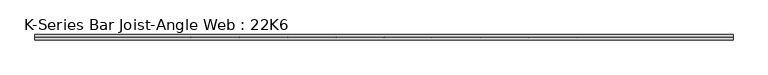
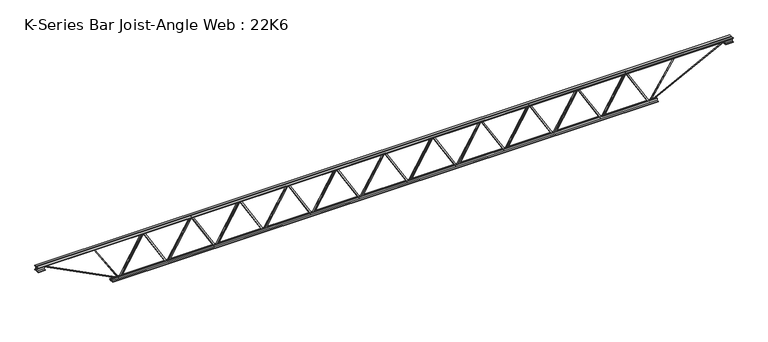
"""IFC4 building model written with IfcOpenShell, lengths in millimetres: beam geometry, K-Series Bar Joist-Angle Web : 22K6."""

from ifc_helpers import new_model, si_unit, frame, origin, place, context, project, spatial, polyline, outline, extrude, faceted_brep, source, transform, mapped, element, save


def k_series_bar_joist_angle_web_22k6_085e05a3(model_context):
    return source(origin(), model_context, "Body", "SolidModel", [
        extrude(outline(polyline([(-4.7625, 4.7625001), (-4.7625, 0.0), (-17.4625, 0.0), (-17.4625, 4.7625001), (-4.7625, 4.7625001)])), frame((2922.4674679, 0.0, -241.3), z_axis=(-0.5092469856380344, 0.0, 0.8606204201728981), x_axis=(0.0, -1.0, 0.0)), (0.0, 0.0, 1.0), 560.7582492),
        extrude(outline(polyline([(-276.225, 2954.9147727), (-257.175, 2954.9147727), (-257.175, 2953.9962293), (276.225, 2638.3723657), (276.225, 2620.2409091), (257.175, 2620.2409091), (257.175, 2627.5094525), (-276.225, 2943.1333161), (-276.225, 2954.9147727)])), frame((0.0, 0.0, 0.0), z_axis=(0.0, 1.0, 0.0), x_axis=(0.0, 0.0, 1.0)), (0.0, 0.0, 1.0), 4.7625),
        faceted_brep([(2298.2670455, 0.0, -257.175), (2298.2670455, 0.0, -276.225), (2298.2670455, -4.7625, -276.225), (2298.2670455, -4.7625, -257.175), (2299.1855889, 0.0, -257.175), (2614.8094525, 0.0, 276.225), (2632.9409091, 0.0, 276.225), (2632.9409091, 0.0, 257.175), (2625.6723657, 0.0, 257.175), (2310.0485021, 0.0, -276.225), (2310.0485021, -4.7625, -276.225), (2330.7143503, -4.7625, -241.3), (2326.6156455, -4.7625, -238.8747112), (2612.1800936, -4.7625, 243.7252888), (2616.2787983, -4.7625, 241.3), (2625.6723657, -4.7625, 257.175), (2632.9409091, -4.7625, 257.175), (2632.9409091, -4.7625, 276.225), (2614.8094525, -4.7625, 276.225), (2299.1855889, -4.7625, -257.175), (2616.2787983, -17.4625, 241.3), (2330.7143503, -17.4625, -241.3), (2326.6156455, -17.4625, -238.8747112), (2612.1800936, -17.4625, 243.7252888)], [[[0, 1, 2, 3]], [[1, 0, 4, 5, 6, 7, 8, 9]], [[2, 1, 9, 10]], [[3, 2, 10, 11, 12, 13, 14, 15, 16, 17, 18, 19]], [[0, 3, 19, 4]], [[9, 8, 15, 14, 20, 21, 11, 10]], [[5, 4, 19, 18]], [[7, 6, 17, 16]], [[8, 7, 16, 15]], [[6, 5, 18, 17]], [[21, 22, 12, 11]], [[20, 14, 13, 23]], [[22, 21, 20, 23]], [[12, 22, 23, 13]]]),
        extrude(outline(polyline([(-4.7625, 4.7625001), (-4.7625, 0.0), (-17.4625, 0.0), (-17.4625, 4.7625001), (-4.7625, 4.7625001)])), frame((2265.8197406, 0.0, -241.3), z_axis=(-0.5092469856380344, 0.0, 0.8606204201728981), x_axis=(0.0, -1.0, 0.0)), (0.0, 0.0, 1.0), 560.7582492),
        extrude(outline(polyline([(-276.225, 2298.2670455), (-257.175, 2298.2670455), (-257.175, 2297.3485021), (276.225, 1981.7246384), (276.225, 1963.5931818), (257.175, 1963.5931818), (257.175, 1970.8617252), (-276.225, 2286.4855889), (-276.225, 2298.2670455)])), frame((0.0, 0.0, 0.0), z_axis=(0.0, 1.0, 0.0), x_axis=(0.0, 0.0, 1.0)), (0.0, 0.0, 1.0), 4.7625),
        faceted_brep([(1641.6193182, 0.0, -257.175), (1641.6193182, 0.0, -276.225), (1641.6193182, -4.7625, -276.225), (1641.6193182, -4.7625, -257.175), (1642.5378616, 0.0, -257.175), (1958.1617252, 0.0, 276.225), (1976.2931818, 0.0, 276.225), (1976.2931818, 0.0, 257.175), (1969.0246384, 0.0, 257.175), (1653.4007748, 0.0, -276.225), (1653.4007748, -4.7625, -276.225), (1674.066623, -4.7625, -241.3), (1669.9679182, -4.7625, -238.8747112), (1955.5323663, -4.7625, 243.7252888), (1959.631071, -4.7625, 241.3), (1969.0246384, -4.7625, 257.175), (1976.2931818, -4.7625, 257.175), (1976.2931818, -4.7625, 276.225), (1958.1617252, -4.7625, 276.225), (1642.5378616, -4.7625, -257.175), (1959.631071, -17.4625, 241.3), (1674.066623, -17.4625, -241.3), (1669.9679182, -17.4625, -238.8747112), (1955.5323663, -17.4625, 243.7252888)], [[[0, 1, 2, 3]], [[1, 0, 4, 5, 6, 7, 8, 9]], [[2, 1, 9, 10]], [[3, 2, 10, 11, 12, 13, 14, 15, 16, 17, 18, 19]], [[0, 3, 19, 4]], [[9, 8, 15, 14, 20, 21, 11, 10]], [[5, 4, 19, 18]], [[7, 6, 17, 16]], [[8, 7, 16, 15]], [[6, 5, 18, 17]], [[21, 22, 12, 11]], [[20, 14, 13, 23]], [[22, 21, 20, 23]], [[12, 22, 23, 13]]]),
        extrude(outline(polyline([(-4.7625, 4.7625), (-4.7625, 0.0), (-17.4625, 0.0), (-17.4625, 4.7625), (-4.7625, 4.7625)])), frame((1609.1720134, 0.0, -241.3), z_axis=(-0.5092469856380344, 0.0, 0.8606204201728981), x_axis=(0.0, -1.0, 0.0)), (0.0, 0.0, 1.0), 560.7582492),
        extrude(outline(polyline([(-276.225, 1641.6193182), (-257.175, 1641.6193182), (-257.175, 1640.7007748), (276.225, 1325.0769111), (276.225, 1306.9454545), (257.175, 1306.9454545), (257.175, 1314.2139979), (-276.225, 1629.8378616), (-276.225, 1641.6193182)])), frame((0.0, 0.0, 0.0), z_axis=(0.0, 1.0, 0.0), x_axis=(0.0, 0.0, 1.0)), (0.0, 0.0, 1.0), 4.7625),
        faceted_brep([(984.9715909, 0.0, -257.175), (984.9715909, 0.0, -276.225), (984.9715909, -4.7625, -276.225), (984.9715909, -4.7625, -257.175), (985.8901343, 0.0, -257.175), (1301.5139979, 0.0, 276.225), (1319.6454545, 0.0, 276.225), (1319.6454545, 0.0, 257.175), (1312.3769111, 0.0, 257.175), (996.7530475, 0.0, -276.225), (996.7530475, -4.7625, -276.225), (1017.4188957, -4.7625, -241.3), (1013.320191, -4.7625, -238.8747112), (1298.884639, -4.7625, 243.7252888), (1302.9833438, -4.7625, 241.3), (1312.3769111, -4.7625, 257.175), (1319.6454545, -4.7625, 257.175), (1319.6454545, -4.7625, 276.225), (1301.5139979, -4.7625, 276.225), (985.8901343, -4.7625, -257.175), (1302.9833438, -17.4625, 241.3), (1017.4188957, -17.4625, -241.3), (1013.320191, -17.4625, -238.8747112), (1298.884639, -17.4625, 243.7252888)], [[[0, 1, 2, 3]], [[1, 0, 4, 5, 6, 7, 8, 9]], [[2, 1, 9, 10]], [[3, 2, 10, 11, 12, 13, 14, 15, 16, 17, 18, 19]], [[0, 3, 19, 4]], [[9, 8, 15, 14, 20, 21, 11, 10]], [[5, 4, 19, 18]], [[7, 6, 17, 16]], [[8, 7, 16, 15]], [[6, 5, 18, 17]], [[21, 22, 12, 11]], [[20, 14, 13, 23]], [[22, 21, 20, 23]], [[12, 22, 23, 13]]]),
        extrude(outline(polyline([(-4.7625, 4.7625), (-4.7625, 0.0), (-17.4625, 0.0), (-17.4625, 4.7625), (-4.7625, 4.7625)])), frame((952.5242861, 0.0, -241.3), z_axis=(-0.5092469856380344, 0.0, 0.8606204201728981), x_axis=(0.0, -1.0, 0.0)), (0.0, 0.0, 1.0), 560.7582492),
        extrude(outline(polyline([(-276.225, 984.9715909), (-257.175, 984.9715909), (-257.175, 984.0530475), (276.225, 668.4291839), (276.225, 650.2977273), (257.175, 650.2977273), (257.175, 657.5662707), (-276.225, 973.1901343), (-276.225, 984.9715909)])), frame((0.0, 0.0, 0.0), z_axis=(0.0, 1.0, 0.0), x_axis=(0.0, 0.0, 1.0)), (0.0, 0.0, 1.0), 4.7625),
        faceted_brep([(328.3238636, 0.0, -257.175), (328.3238636, 0.0, -276.225), (328.3238636, -4.7625, -276.225), (328.3238636, -4.7625, -257.175), (329.242407, 0.0, -257.175), (644.8662707, 0.0, 276.225), (662.9977273, 0.0, 276.225), (662.9977273, 0.0, 257.175), (655.7291839, 0.0, 257.175), (340.1053202, 0.0, -276.225), (340.1053202, -4.7625, -276.225), (360.7711685, -4.7625, -241.3), (356.6724637, -4.7625, -238.8747112), (642.2369118, -4.7625, 243.7252888), (646.3356165, -4.7625, 241.3), (655.7291839, -4.7625, 257.175), (662.9977273, -4.7625, 257.175), (662.9977273, -4.7625, 276.225), (644.8662707, -4.7625, 276.225), (329.242407, -4.7625, -257.175), (646.3356165, -17.4625, 241.3), (360.7711685, -17.4625, -241.3), (356.6724637, -17.4625, -238.8747112), (642.2369118, -17.4625, 243.7252888)], [[[0, 1, 2, 3]], [[1, 0, 4, 5, 6, 7, 8, 9]], [[2, 1, 9, 10]], [[3, 2, 10, 11, 12, 13, 14, 15, 16, 17, 18, 19]], [[0, 3, 19, 4]], [[9, 8, 15, 14, 20, 21, 11, 10]], [[5, 4, 19, 18]], [[7, 6, 17, 16]], [[8, 7, 16, 15]], [[6, 5, 18, 17]], [[21, 22, 12, 11]], [[20, 14, 13, 23]], [[22, 21, 20, 23]], [[12, 22, 23, 13]]]),
        extrude(outline(polyline([(-4.7625, 4.7625001), (-4.7625, 0.0), (-17.4625, 0.0), (-17.4625, 4.7625001), (-4.7625, 4.7625001)])), frame((295.8765588, 0.0, -241.3), z_axis=(-0.5092469856380344, 0.0, 0.8606204201728981), x_axis=(0.0, -1.0, 0.0)), (0.0, 0.0, 1.0), 560.7582492),
        extrude(outline(polyline([(-276.225, 328.3238636), (-257.175, 328.3238636), (-257.175, 327.4053202), (276.225, 11.7814566), (276.225, -6.35), (257.175, -6.35), (257.175, 0.9185434), (-276.225, 316.542407), (-276.225, 328.3238636)])), frame((0.0, 0.0, 0.0), z_axis=(0.0, 1.0, 0.0), x_axis=(0.0, 0.0, 1.0)), (0.0, 0.0, 1.0), 4.7625),
        faceted_brep([(-328.3238636, 0.0, -257.175), (-328.3238636, 0.0, -276.225), (-328.3238636, -4.7625, -276.225), (-328.3238636, -4.7625, -257.175), (-327.4053202, 0.0, -257.175), (-11.7814566, 0.0, 276.225), (6.35, 0.0, 276.225), (6.35, 0.0, 257.175), (-0.9185434, 0.0, 257.175), (-316.542407, 0.0, -276.225), (-316.542407, -4.7625, -276.225), (-295.8765588, -4.7625, -241.3), (-299.9752636, -4.7625, -238.8747112), (-14.4108155, -4.7625, 243.7252888), (-10.3121108, -4.7625, 241.3), (-0.9185434, -4.7625, 257.175), (6.35, -4.7625, 257.175), (6.35, -4.7625, 276.225), (-11.7814566, -4.7625, 276.225), (-327.4053202, -4.7625, -257.175), (-10.3121108, -17.4625, 241.3), (-295.8765588, -17.4625, -241.3), (-299.9752636, -17.4625, -238.8747112), (-14.4108155, -17.4625, 243.7252888)], [[[0, 1, 2, 3]], [[1, 0, 4, 5, 6, 7, 8, 9]], [[2, 1, 9, 10]], [[3, 2, 10, 11, 12, 13, 14, 15, 16, 17, 18, 19]], [[0, 3, 19, 4]], [[9, 8, 15, 14, 20, 21, 11, 10]], [[5, 4, 19, 18]], [[7, 6, 17, 16]], [[8, 7, 16, 15]], [[6, 5, 18, 17]], [[21, 22, 12, 11]], [[20, 14, 13, 23]], [[22, 21, 20, 23]], [[12, 22, 23, 13]]]),
        extrude(outline(polyline([(-4.7625, 4.7625001), (-4.7625, 0.0), (-17.4625, 0.0), (-17.4625, 4.7625001), (-4.7625, 4.7625001)])), frame((-360.7711685, 0.0, -241.3), z_axis=(-0.5092469856380344, 0.0, 0.8606204201728981), x_axis=(0.0, -1.0, 0.0)), (0.0, 0.0, 1.0), 560.7582492),
        extrude(outline(polyline([(-276.225, -328.3238636), (-257.175, -328.3238636), (-257.175, -329.242407), (276.225, -644.8662707), (276.225, -662.9977273), (257.175, -662.9977273), (257.175, -655.7291839), (-276.225, -340.1053202), (-276.225, -328.3238636)])), frame((0.0, 0.0, 0.0), z_axis=(0.0, 1.0, 0.0), x_axis=(0.0, 0.0, 1.0)), (0.0, 0.0, 1.0), 4.7625),
        faceted_brep([(-984.9715909, 0.0, -257.175), (-984.9715909, 0.0, -276.225), (-984.9715909, -4.7625, -276.225), (-984.9715909, -4.7625, -257.175), (-984.0530475, 0.0, -257.175), (-668.4291839, 0.0, 276.225), (-650.2977273, 0.0, 276.225), (-650.2977273, 0.0, 257.175), (-657.5662707, 0.0, 257.175), (-973.1901343, 0.0, -276.225), (-973.1901343, -4.7625, -276.225), (-952.5242861, -4.7625, -241.3), (-956.6229908, -4.7625, -238.8747112), (-671.0585428, -4.7625, 243.7252888), (-666.959838, -4.7625, 241.3), (-657.5662707, -4.7625, 257.175), (-650.2977273, -4.7625, 257.175), (-650.2977273, -4.7625, 276.225), (-668.4291839, -4.7625, 276.225), (-984.0530475, -4.7625, -257.175), (-666.959838, -17.4625, 241.3), (-952.5242861, -17.4625, -241.3), (-956.6229908, -17.4625, -238.8747112), (-671.0585428, -17.4625, 243.7252888)], [[[0, 1, 2, 3]], [[1, 0, 4, 5, 6, 7, 8, 9]], [[2, 1, 9, 10]], [[3, 2, 10, 11, 12, 13, 14, 15, 16, 17, 18, 19]], [[0, 3, 19, 4]], [[9, 8, 15, 14, 20, 21, 11, 10]], [[5, 4, 19, 18]], [[7, 6, 17, 16]], [[8, 7, 16, 15]], [[6, 5, 18, 17]], [[21, 22, 12, 11]], [[20, 14, 13, 23]], [[22, 21, 20, 23]], [[12, 22, 23, 13]]]),
        extrude(outline(polyline([(-4.7625, 4.7625), (-4.7625, 0.0), (-17.4625, 0.0), (-17.4625, 4.7625), (-4.7625, 4.7625)])), frame((-1017.4188957, 0.0, -241.3), z_axis=(-0.5092469856380344, 0.0, 0.8606204201728981), x_axis=(0.0, -1.0, 0.0)), (0.0, 0.0, 1.0), 560.7582492),
        extrude(outline(polyline([(-276.225, -984.9715909), (-257.175, -984.9715909), (-257.175, -985.8901343), (276.225, -1301.5139979), (276.225, -1319.6454545), (257.175, -1319.6454545), (257.175, -1312.3769111), (-276.225, -996.7530475), (-276.225, -984.9715909)])), frame((0.0, 0.0, 0.0), z_axis=(0.0, 1.0, 0.0), x_axis=(0.0, 0.0, 1.0)), (0.0, 0.0, 1.0), 4.7625),
        faceted_brep([(-1641.6193182, 0.0, -257.175), (-1641.6193182, 0.0, -276.225), (-1641.6193182, -4.7625, -276.225), (-1641.6193182, -4.7625, -257.175), (-1640.7007748, 0.0, -257.175), (-1325.0769111, 0.0, 276.225), (-1306.9454545, 0.0, 276.225), (-1306.9454545, 0.0, 257.175), (-1314.2139979, 0.0, 257.175), (-1629.8378616, 0.0, -276.225), (-1629.8378616, -4.7625, -276.225), (-1609.1720134, -4.7625, -241.3), (-1613.2707181, -4.7625, -238.8747112), (-1327.7062701, -4.7625, 243.7252888), (-1323.6075653, -4.7625, 241.3), (-1314.2139979, -4.7625, 257.175), (-1306.9454545, -4.7625, 257.175), (-1306.9454545, -4.7625, 276.225), (-1325.0769111, -4.7625, 276.225), (-1640.7007748, -4.7625, -257.175), (-1323.6075653, -17.4625, 241.3), (-1609.1720134, -17.4625, -241.3), (-1613.2707181, -17.4625, -238.8747112), (-1327.7062701, -17.4625, 243.7252888)], [[[0, 1, 2, 3]], [[1, 0, 4, 5, 6, 7, 8, 9]], [[2, 1, 9, 10]], [[3, 2, 10, 11, 12, 13, 14, 15, 16, 17, 18, 19]], [[0, 3, 19, 4]], [[9, 8, 15, 14, 20, 21, 11, 10]], [[5, 4, 19, 18]], [[7, 6, 17, 16]], [[8, 7, 16, 15]], [[6, 5, 18, 17]], [[21, 22, 12, 11]], [[20, 14, 13, 23]], [[22, 21, 20, 23]], [[12, 22, 23, 13]]]),
        extrude(outline(polyline([(-4.7625, 4.7625001), (-4.7625, 0.0), (-17.4625, 0.0), (-17.4625, 4.7625001), (-4.7625, 4.7625001)])), frame((-1674.066623, 0.0, -241.3), z_axis=(-0.5092469856380344, 0.0, 0.8606204201728981), x_axis=(0.0, -1.0, 0.0)), (0.0, 0.0, 1.0), 560.7582492),
        extrude(outline(polyline([(-276.225, -1641.6193182), (-257.175, -1641.6193182), (-257.175, -1642.5378616), (276.225, -1958.1617252), (276.225, -1976.2931818), (257.175, -1976.2931818), (257.175, -1969.0246384), (-276.225, -1653.4007748), (-276.225, -1641.6193182)])), frame((0.0, 0.0, 0.0), z_axis=(0.0, 1.0, 0.0), x_axis=(0.0, 0.0, 1.0)), (0.0, 0.0, 1.0), 4.7625),
        faceted_brep([(-2298.2670455, 0.0, -257.175), (-2298.2670455, 0.0, -276.225), (-2298.2670455, -4.7625, -276.225), (-2298.2670455, -4.7625, -257.175), (-2297.3485021, 0.0, -257.175), (-1981.7246384, 0.0, 276.225), (-1963.5931818, 0.0, 276.225), (-1963.5931818, 0.0, 257.175), (-1970.8617252, 0.0, 257.175), (-2286.4855889, 0.0, -276.225), (-2286.4855889, -4.7625, -276.225), (-2265.8197406, -4.7625, -241.3), (-2269.9184454, -4.7625, -238.8747112), (-1984.3539973, -4.7625, 243.7252888), (-1980.2552926, -4.7625, 241.3), (-1970.8617252, -4.7625, 257.175), (-1963.5931818, -4.7625, 257.175), (-1963.5931818, -4.7625, 276.225), (-1981.7246384, -4.7625, 276.225), (-2297.3485021, -4.7625, -257.175), (-1980.2552926, -17.4625, 241.3), (-2265.8197406, -17.4625, -241.3), (-2269.9184454, -17.4625, -238.8747112), (-1984.3539973, -17.4625, 243.7252888)], [[[0, 1, 2, 3]], [[1, 0, 4, 5, 6, 7, 8, 9]], [[2, 1, 9, 10]], [[3, 2, 10, 11, 12, 13, 14, 15, 16, 17, 18, 19]], [[0, 3, 19, 4]], [[9, 8, 15, 14, 20, 21, 11, 10]], [[5, 4, 19, 18]], [[7, 6, 17, 16]], [[8, 7, 16, 15]], [[6, 5, 18, 17]], [[21, 22, 12, 11]], [[20, 14, 13, 23]], [[22, 21, 20, 23]], [[12, 22, 23, 13]]]),
        extrude(outline(polyline([(-4.7625, 4.7625001), (-4.7625, 0.0), (-17.4625, 0.0), (-17.4625, 4.7625001), (-4.7625, 4.7625001)])), frame((-2330.7143503, 0.0, -241.3), z_axis=(-0.5092469856380344, 0.0, 0.8606204201728981), x_axis=(0.0, -1.0, 0.0)), (0.0, 0.0, 1.0), 560.7582492),
        extrude(outline(polyline([(-276.225, -2298.2670455), (-257.175, -2298.2670455), (-257.175, -2299.1855889), (276.225, -2614.8094525), (276.225, -2632.9409091), (257.175, -2632.9409091), (257.175, -2625.6723657), (-276.225, -2310.0485021), (-276.225, -2298.2670455)])), frame((0.0, 0.0, 0.0), z_axis=(0.0, 1.0, 0.0), x_axis=(0.0, 0.0, 1.0)), (0.0, 0.0, 1.0), 4.7625),
        faceted_brep([(-2954.9147727, 0.0, -257.175), (-2954.9147727, 0.0, -276.225), (-2954.9147727, -4.7625, -276.225), (-2954.9147727, -4.7625, -257.175), (-2953.9962293, 0.0, -257.175), (-2638.3723657, 0.0, 276.225), (-2620.2409091, 0.0, 276.225), (-2620.2409091, 0.0, 257.175), (-2627.5094525, 0.0, 257.175), (-2943.1333161, 0.0, -276.225), (-2943.1333161, -4.7625, -276.225), (-2922.4674679, -4.7625, -241.3), (-2926.5661727, -4.7625, -238.8747112), (-2641.0017246, -4.7625, 243.7252888), (-2636.9030199, -4.7625, 241.3), (-2627.5094525, -4.7625, 257.175), (-2620.2409091, -4.7625, 257.175), (-2620.2409091, -4.7625, 276.225), (-2638.3723657, -4.7625, 276.225), (-2953.9962293, -4.7625, -257.175), (-2636.9030199, -17.4625, 241.3), (-2922.4674679, -17.4625, -241.3), (-2926.5661727, -17.4625, -238.8747112), (-2641.0017246, -17.4625, 243.7252888)], [[[0, 1, 2, 3]], [[1, 0, 4, 5, 6, 7, 8, 9]], [[2, 1, 9, 10]], [[3, 2, 10, 11, 12, 13, 14, 15, 16, 17, 18, 19]], [[0, 3, 19, 4]], [[9, 8, 15, 14, 20, 21, 11, 10]], [[5, 4, 19, 18]], [[7, 6, 17, 16]], [[8, 7, 16, 15]], [[6, 5, 18, 17]], [[21, 22, 12, 11]], [[20, 14, 13, 23]], [[22, 21, 20, 23]], [[12, 22, 23, 13]]]),
        extrude(outline(polyline([(-4.7625, 4.7625), (-4.7625, 0.0), (-17.4625, 0.0), (-17.4625, 4.7625), (-4.7625, 4.7625)])), frame((3579.1151952, 0.0, -241.3), z_axis=(-0.5092469856380344, 0.0, 0.8606204201728981), x_axis=(0.0, -1.0, 0.0)), (0.0, 0.0, 1.0), 560.7582492),
        extrude(outline(polyline([(-276.225, 3611.5625), (-257.175, 3611.5625), (-257.175, 3610.6439566), (276.225, 3295.020093), (276.225, 3276.8886364), (257.175, 3276.8886364), (257.175, 3284.1571798), (-276.225, 3599.7810434), (-276.225, 3611.5625)])), frame((0.0, 0.0, 0.0), z_axis=(0.0, 1.0, 0.0), x_axis=(0.0, 0.0, 1.0)), (0.0, 0.0, 1.0), 4.7625),
        faceted_brep([(2954.9147727, 0.0, -257.175), (2954.9147727, 0.0, -276.225), (2954.9147727, -4.7625, -276.225), (2954.9147727, -4.7625, -257.175), (2955.8333161, 0.0, -257.175), (3271.4571798, 0.0, 276.225), (3289.5886364, 0.0, 276.225), (3289.5886364, 0.0, 257.175), (3282.320093, 0.0, 257.175), (2966.6962293, 0.0, -276.225), (2966.6962293, -4.7625, -276.225), (2987.3620775, -4.7625, -241.3), (2983.2633728, -4.7625, -238.8747112), (3268.8278208, -4.7625, 243.7252888), (3272.9265256, -4.7625, 241.3), (3282.320093, -4.7625, 257.175), (3289.5886364, -4.7625, 257.175), (3289.5886364, -4.7625, 276.225), (3271.4571798, -4.7625, 276.225), (2955.8333161, -4.7625, -257.175), (3272.9265256, -17.4625, 241.3), (2987.3620775, -17.4625, -241.3), (2983.2633728, -17.4625, -238.8747112), (3268.8278208, -17.4625, 243.7252888)], [[[0, 1, 2, 3]], [[1, 0, 4, 5, 6, 7, 8, 9]], [[2, 1, 9, 10]], [[3, 2, 10, 11, 12, 13, 14, 15, 16, 17, 18, 19]], [[0, 3, 19, 4]], [[9, 8, 15, 14, 20, 21, 11, 10]], [[5, 4, 19, 18]], [[7, 6, 17, 16]], [[8, 7, 16, 15]], [[6, 5, 18, 17]], [[21, 22, 12, 11]], [[20, 14, 13, 23]], [[22, 21, 20, 23]], [[12, 22, 23, 13]]]),
        extrude(outline(polyline([(-4.7625, 4.7625), (-4.7625, 0.0), (-17.4625, 0.0), (-17.4625, 4.7625), (-4.7625, 4.7625)])), frame((-2987.3620775, 0.0, -241.3), z_axis=(-0.5092469856380344, 0.0, 0.8606204201728981), x_axis=(0.0, -1.0, 0.0)), (0.0, 0.0, 1.0), 560.7582492),
        extrude(outline(polyline([(-276.225, -2954.9147727), (-257.175, -2954.9147727), (-257.175, -2955.8333161), (276.225, -3271.4571798), (276.225, -3289.5886364), (257.175, -3289.5886364), (257.175, -3282.320093), (-276.225, -2966.6962293), (-276.225, -2954.9147727)])), frame((0.0, 0.0, 0.0), z_axis=(0.0, 1.0, 0.0), x_axis=(0.0, 0.0, 1.0)), (0.0, 0.0, 1.0), 4.7625),
        faceted_brep([(-3611.5625, 0.0, -257.175), (-3611.5625, 0.0, -276.225), (-3611.5625, -4.7625, -276.225), (-3611.5625, -4.7625, -257.175), (-3610.6439566, 0.0, -257.175), (-3295.020093, 0.0, 276.225), (-3276.8886364, 0.0, 276.225), (-3276.8886364, 0.0, 257.175), (-3284.1571798, 0.0, 257.175), (-3599.7810434, 0.0, -276.225), (-3599.7810434, -4.7625, -276.225), (-3579.1151952, -4.7625, -241.3), (-3583.2138999, -4.7625, -238.8747112), (-3297.6494519, -4.7625, 243.7252888), (-3293.5507471, -4.7625, 241.3), (-3284.1571798, -4.7625, 257.175), (-3276.8886364, -4.7625, 257.175), (-3276.8886364, -4.7625, 276.225), (-3295.020093, -4.7625, 276.225), (-3610.6439566, -4.7625, -257.175), (-3293.5507471, -17.4625, 241.3), (-3579.1151952, -17.4625, -241.3), (-3583.2138999, -17.4625, -238.8747112), (-3297.6494519, -17.4625, 243.7252888)], [[[0, 1, 2, 3]], [[1, 0, 4, 5, 6, 7, 8, 9]], [[2, 1, 9, 10]], [[3, 2, 10, 11, 12, 13, 14, 15, 16, 17, 18, 19]], [[0, 3, 19, 4]], [[9, 8, 15, 14, 20, 21, 11, 10]], [[5, 4, 19, 18]], [[7, 6, 17, 16]], [[8, 7, 16, 15]], [[6, 5, 18, 17]], [[21, 22, 12, 11]], [[20, 14, 13, 23]], [[22, 21, 20, 23]], [[12, 22, 23, 13]]]),
        extrude(outline(polyline([(4.7625, 279.4), (36.5125, 279.4), (36.5125, 273.05), (11.1125, 273.05), (11.1125, 247.65), (4.7625, 247.65), (4.7625, 279.4)])), frame((-4729.1625, 0.0, 0.0), z_axis=(1.0, 0.0, 0.0), x_axis=(0.0, 1.0, 0.0)), (0.0, 0.0, 1.0), 9458.325),
        extrude(outline(polyline([(-4.7625, 279.4), (-4.7625, 247.65), (-11.1125, 247.65), (-11.1125, 273.05), (-36.5125, 273.05), (-36.5125, 279.4), (-4.7625, 279.4)])), frame((-4729.1625, 0.0, 0.0), z_axis=(1.0, 0.0, 0.0), x_axis=(0.0, 1.0, 0.0)), (0.0, 0.0, 1.0), 9458.325),
        extrude(outline(polyline([(-4.7625, 215.9), (-36.5125, 215.9), (-36.5125, 222.25), (-11.1125, 222.25), (-11.1125, 247.65), (-4.7625, 247.65), (-4.7625, 215.9)])), frame((-4729.1625, 0.0, 0.0), z_axis=(1.0, 0.0, 0.0), x_axis=(0.0, 1.0, 0.0)), (0.0, 0.0, 1.0), 101.6),
        extrude(outline(polyline([(36.5125, 215.9), (4.7625, 215.9), (4.7625, 247.65), (11.1125, 247.65), (11.1125, 222.25), (36.5125, 222.25), (36.5125, 215.9)])), frame((-4729.1625, 0.0, 0.0), z_axis=(1.0, 0.0, 0.0), x_axis=(0.0, 1.0, 0.0)), (0.0, 0.0, 1.0), 101.6),
        extrude(outline(polyline([(4.7625, 215.9), (4.7625, 247.65), (11.1125, 247.65), (11.1125, 222.25), (36.5125, 222.25), (36.5125, 215.9), (4.7625, 215.9)])), frame((4627.5625, 0.0, 0.0), z_axis=(1.0, 0.0, 0.0), x_axis=(0.0, 1.0, 0.0)), (0.0, 0.0, 1.0), 101.6),
        extrude(outline(polyline([(-4.7625, 215.9), (-36.5125, 215.9), (-36.5125, 222.25), (-11.1125, 222.25), (-11.1125, 247.65), (-4.7625, 247.65), (-4.7625, 215.9)])), frame((4627.5625, 0.0, 0.0), z_axis=(1.0, 0.0, 0.0), x_axis=(0.0, 1.0, 0.0)), (0.0, 0.0, 1.0), 101.6),
        extrude(outline(polyline([(4.7625, -279.4), (4.7625, -247.65), (11.1125, -247.65), (11.1125, -273.05), (36.5125, -273.05), (36.5125, -279.4), (4.7625, -279.4)])), frame((-3713.1625, 0.0, 0.0), z_axis=(1.0, 0.0, 0.0), x_axis=(0.0, 1.0, 0.0)), (0.0, 0.0, 1.0), 7426.325),
        extrude(outline(polyline([(-4.7625, -279.4), (-36.5125, -279.4), (-36.5125, -273.05), (-11.1125, -273.05), (-11.1125, -247.65), (-4.7625, -247.65), (-4.7625, -279.4)])), frame((-3713.1625, 0.0, 0.0), z_axis=(1.0, 0.0, 0.0), x_axis=(0.0, 1.0, 0.0)), (0.0, 0.0, 1.0), 7426.325),
        extrude(outline(polyline([(4.7625, 4.7625), (4.7625, -4.7625), (-4.7625, -4.7625), (-4.7625, 4.7625), (4.7625, 4.7625)])), frame((3611.5625, 0.0, -273.05), z_axis=(0.5333665700576644, 0.0, 0.8458842130841091), x_axis=(0.0, -1.0, 0.0)), (0.0, 0.0, 1.0), 615.5688828),
        extrude(outline(polyline([(4.7625, 4.7625), (4.7625, -4.7625), (-4.7625, -4.7625), (-4.7625, 4.7625), (4.7625, 4.7625)])), frame((-3611.5625, 0.0, -273.05), z_axis=(-0.5333665700576424, 0.0, 0.845884213084123), x_axis=(0.0, -1.0, 0.0)), (0.0, 0.0, 1.0), 615.5688828),
        extrude(outline(polyline([(0.0, -9.525), (0.0, 0.0), (1141.6586574, 0.0), (1141.6586574, -9.525), (0.0, -9.525)])), frame((4629.7346324, -4.7625, 243.4116929), z_axis=(-0.4560907909100909, 0.0, 0.8899332505570335), x_axis=(-0.8899332505570335, 0.0, -0.4560907909100909)), (0.0, 0.0, 1.0), 9.525),
        extrude(outline(polyline([(0.0, -9.525), (0.0, 0.0), (1141.6586574, 0.0), (1141.6586574, -9.525), (0.0, -9.525)])), frame((-4629.7346324, 4.7625, 243.4116929), z_axis=(0.4560907909100898, 0.0, 0.8899332505570341), x_axis=(0.8899332505570341, 0.0, -0.4560907909100898)), (0.0, 0.0, 1.0), 9.525),
    ])


if __name__ == "__main__":
    model = new_model("IFC4")
    model_context = context("Model", 3, world=origin())
    ifc_project = project(units=[si_unit("LENGTHUNIT", "METRE", prefix="MILLI")], contexts=[model_context])
    site = spatial("IfcSite", under=ifc_project)
    building = spatial("IfcBuilding", under=site)
    placement = place(None, origin())
    k_series_bar_joist_angle_web_22k6_shape = k_series_bar_joist_angle_web_22k6_085e05a3(model_context)
    element("IfcBeam", 1, ObjectType="K-Series Bar Joist-Angle Web : 22K6", at=placement, inside=building, context=model_context, shape_type="MappedRepresentation", body=[
        mapped(k_series_bar_joist_angle_web_22k6_shape, transform((0.0, 0.0, 0.0), x_axis=(1.0, 0.0, 0.0), y_axis=(0.0, 1.0, 0.0), z_axis=(0.0, 0.0, 1.0))),
    ])
    save(model, "model.ifc")
